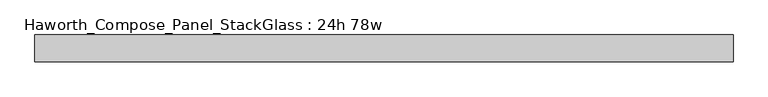
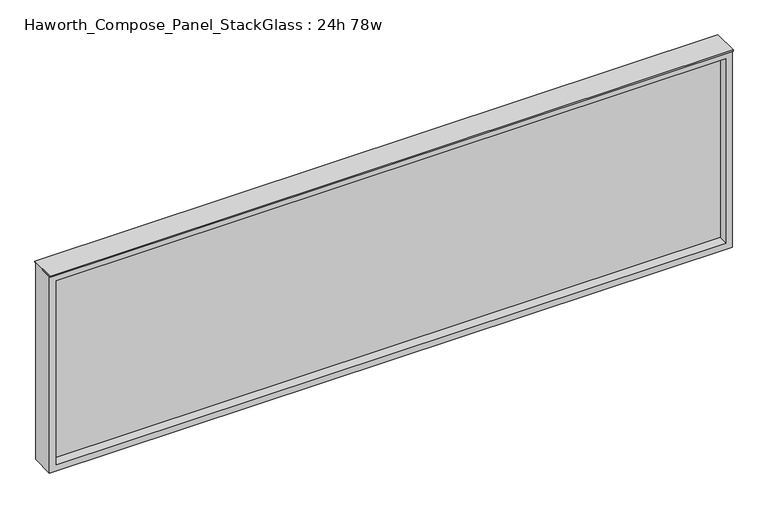
"""IFC4 building model written with IfcOpenShell, lengths in millimetres: furniture geometry, Haworth_Compose_Panel_StackGlass : 24h 78w."""

from ifc_helpers import new_model, si_unit, frame, origin, place, context, project, spatial, polyline, outline, extrude, source, transform, mapped, element, save


def haworth_compose_panel_stackglass_24h_78w_dedf21ca(model_context):
    return source(origin(), model_context, "Body", "SweptSolid", [
        extrude(outline(polyline([(973.9902902, -6.35), (-969.1097098, -6.35), (-969.1097098, 6.35), (973.9902902, 6.35), (973.9902902, -6.35)])), frame((0.0, 0.0, 1085.85), z_axis=(0.0, 0.0, 1.0), x_axis=(1.0, 0.0, 0.0)), (0.0, 0.0, 1.0), 565.15),
        extrude(outline(polyline([(1670.05, -988.1597098), (1066.8, -988.1597098), (1066.8, 993.0402902), (1670.05, 993.0402902), (1670.05, -988.1597098)]), holes=[polyline([(1651.0, 973.9902902), (1085.85, 973.9902902), (1085.85, -969.1097098), (1651.0, -969.1097098), (1651.0, 973.9902902)])]), frame((0.0, -34.925, 0.0), z_axis=(0.0, 1.0, 0.0), x_axis=(0.0, 0.0, 1.0)), (0.0, 0.0, 1.0), 69.85),
        extrude(outline(polyline([(-988.1597098, -38.1), (-988.1597098, 38.1), (993.0402902, 38.1), (993.0402902, -38.1), (-988.1597098, -38.1)])), frame((0.0, 0.0, 1670.05), z_axis=(0.0, 0.0, 1.0), x_axis=(1.0, 0.0, 0.0)), (0.0, 0.0, 1.0), 3.175),
    ])


if __name__ == "__main__":
    model = new_model("IFC4")
    model_context = context("Model", 3, world=origin())
    ifc_project = project(units=[si_unit("LENGTHUNIT", "METRE", prefix="MILLI")], contexts=[model_context])
    site = spatial("IfcSite", under=ifc_project)
    building = spatial("IfcBuilding", under=site)
    placement = place(None, origin())
    haworth_compose_panel_stackglass_24h_78w_shape = haworth_compose_panel_stackglass_24h_78w_dedf21ca(model_context)
    element("IfcFurniture", 1, ObjectType="Haworth_Compose_Panel_StackGlass : 24h 78w", at=placement, inside=building, context=model_context, shape_type="MappedRepresentation", body=[
        mapped(haworth_compose_panel_stackglass_24h_78w_shape, transform((0.0, 0.0, 0.0), x_axis=(1.0, 0.0, 0.0), y_axis=(0.0, 1.0, 0.0), z_axis=(0.0, 0.0, 1.0))),
    ])
    save(model, "model.ifc")
